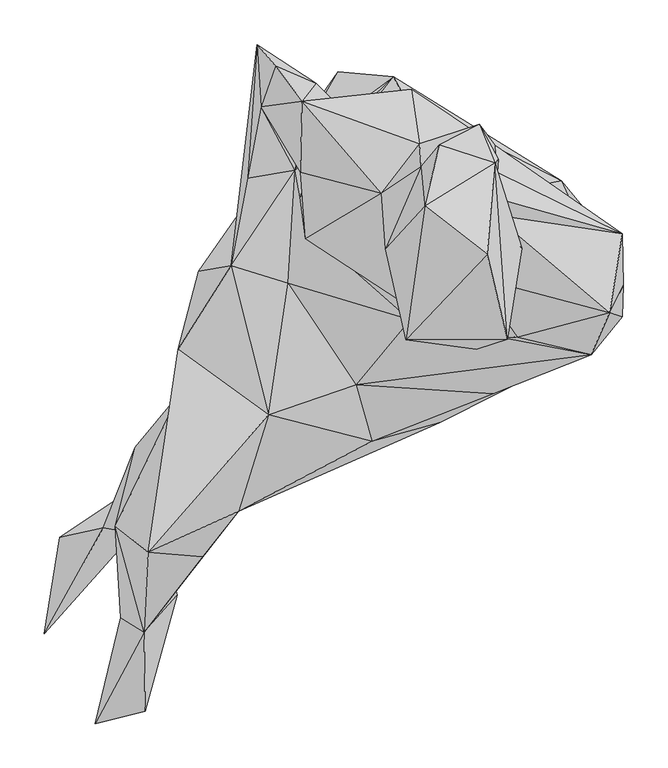
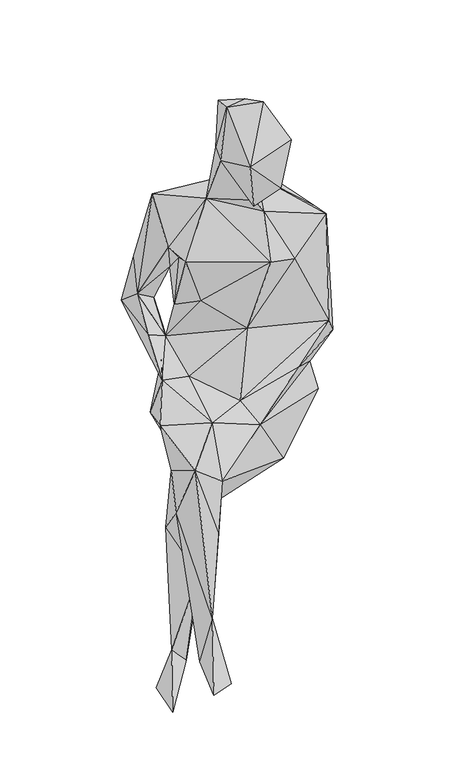
"""IFC4 building model written with IfcOpenShell, lengths in millimetres: geographic element geometry."""

from ifc_helpers import new_model, si_unit, origin, place, context, project, spatial, faceted_brep, source, transform, mapped, element, save


def geographic_element_b53a5d0f(model_context):
    return source(origin(), model_context, "Body", "Brep", [
        faceted_brep([(-222.1914353, 32.9712066, 572.2343255), (-154.843701, 45.0743319, 435.3912121), (-245.5918759, -54.3861606, 593.449466), (48.4060453, -137.0086355, 444.839472), (-142.3269195, -40.9572268, 427.9337771), (-164.2532924, -73.4094968, 467.0022072), (219.8449346, 93.2644222, 509.1412601), (-134.2807396, 142.4343717, 469.8536934), (136.7937757, -17.1656998, 478.2662333), (-244.2606955, -105.2439945, 493.9331351), (-167.9503152, -91.5561233, 426.336164), (-293.6551833, -164.7518257, 379.5438362), (-279.3087031, -282.875743, 611.8980571), (-316.1026498, -253.3576457, 483.3986401), (-283.9103902, -372.6493968, 234.5040561), (-217.9389569, -287.5880265, 411.6716334), (-177.4737962, -236.5325362, 517.7676614), (-143.4625667, -128.067477, 610.9353824), (-310.3416822, -356.2755541, 106.9286527), (-261.6444794, -266.9208911, 289.2866695), (-282.6017404, -461.252028, 95.8623278), (-246.5416461, -331.0851712, 107.4755179), (-338.8476926, -475.2471686, 90.6171042), (-285.1577366, -249.9303042, 37.8479133), (-171.2347397, -168.8119748, 404.4291029), (-329.8431594, -255.1862864, 86.6450433), (-395.8285402, -374.5607985, -1.1936591), (-231.038046, -187.5205315, 204.940853), (-288.0403662, -205.4995273, -0.2245497), (-378.8315309, -265.7110956, -0.4125699), (-27.4552346, -158.1517736, 582.9375314), (185.3480763, -68.0847681, 560.0012472), (-186.1130572, 39.1135583, 650.1585165), (-45.6093842, -94.7170097, 622.0221443), (-121.6028169, 19.5261573, 650.7289925), (-65.7533176, 257.5596241, 519.6478303), (-3.113613, 251.4452009, 671.9828165), (-116.7647824, 168.0341044, 645.0250069), (185.7660241, 134.7470267, 626.0672134), (67.2198749, 181.7123122, 514.526182), (177.6231505, -40.9056539, 626.8354577), (108.7132306, -104.6487676, 672.4147117), (254.4116346, -17.9639792, 677.9307043), (219.1659185, -60.9238923, 745.3944591), (15.1307842, -21.6040478, 768.9603472), (136.1448301, -41.4460781, 942.3224213), (239.9759859, -13.7512542, 1021.938669), (-113.8112605, 146.6223877, 689.9049197), (68.7884978, -42.3904764, 956.8923594), (-70.486053, 54.2335951, 833.5136072), (-156.5681081, 287.7835596, 723.1705099), (-167.5495634, 137.8090812, 717.5481827), (-90.3667647, 244.4970578, 735.0361256), (-136.1222697, 263.9651862, 857.0536865), (-152.4488609, 217.8207758, 783.2090162), (-104.076116, 176.7765113, 699.7108969), (-79.2026659, 186.6362817, 856.5981878), (-105.8864804, 224.2360087, 1057.2521556), (-59.8634549, 214.0592906, 857.1170463), (-107.9611467, 144.3833393, 949.1180064), (-83.1145559, 138.0991621, 914.7801286), (-108.0965237, 115.999809, 798.6578843), (17.0840433, 237.5027061, 904.3123014), (11.9666744, 224.0533652, 757.6308157), (25.9693392, 176.2027868, 1081.6721783), (111.008151, 174.5890208, 936.393905), (164.9924794, 130.8469607, 763.2939721), (254.2740969, 75.3208613, 988.4625551), (113.7693585, 144.0545601, 1033.6519352), (93.5577366, 198.3536904, 1124.1561035), (114.8340911, 158.7050985, 1133.2982638), (86.6418172, 122.4333256, 1156.1378098), (110.7331054, 155.0553571, 1301.894291), (27.7882979, 150.2280664, 1192.3999639), (48.722993, 175.3314563, 1307.5477915), (141.3352621, 58.6859092, 1210.9806388), (109.9606143, 96.672422, 1112.1625763), (56.0697459, 12.4694946, 1110.1856094), (89.9112213, -54.5752526, 1174.5982025), (125.0323042, -43.6174417, 1297.1776564), (89.2429415, 26.2078546, 1057.2982896), (-16.7982539, 120.7056925, 1076.2926207), (255.2109627, 17.3161139, 793.4706709), (-12.0375844, 58.4173121, 1222.2456781), (29.4106431, -29.1248538, 1127.1214346), (10.6505341, -44.3705948, 1256.6298091), (31.9097001, 106.7191424, 1334.4540431), (102.364591, 51.9870215, 1358.8063549), (-102.032608, 69.762989, 950.2643825)], [[[0, 1, 2]], [[3, 4, 1]], [[1, 4, 5]], [[6, 1, 7]], [[6, 8, 1]], [[3, 1, 8]], [[1, 0, 7]], [[2, 1, 9]], [[1, 5, 9]], [[5, 10, 11]], [[5, 4, 10]], [[9, 5, 11]], [[2, 9, 12]], [[12, 9, 13]], [[13, 9, 11]], [[12, 13, 14]], [[12, 15, 16]], [[12, 17, 2]], [[15, 12, 14]], [[16, 17, 12]], [[13, 18, 14]], [[13, 19, 18]], [[19, 13, 11]], [[20, 18, 21]], [[19, 21, 18]], [[14, 18, 22]], [[22, 18, 20]], [[14, 20, 21]], [[14, 21, 19]], [[22, 20, 14]], [[15, 14, 16]], [[14, 19, 16]], [[19, 23, 24]], [[16, 19, 24]], [[23, 19, 25]], [[11, 25, 19]], [[23, 25, 26]], [[24, 23, 27]], [[23, 26, 28]], [[27, 23, 28]], [[25, 28, 29]], [[11, 28, 25]], [[25, 29, 26]], [[11, 27, 28]], [[11, 24, 27]], [[24, 11, 10]], [[26, 29, 28]], [[16, 24, 3]], [[4, 24, 10]], [[3, 24, 4]], [[30, 16, 3]], [[6, 3, 8]], [[31, 3, 6]], [[31, 30, 3]], [[30, 17, 16]], [[32, 2, 17]], [[33, 34, 17]], [[17, 34, 32]], [[17, 30, 33]], [[2, 32, 0]], [[0, 35, 7]], [[32, 35, 0]], [[36, 35, 37]], [[38, 35, 36]], [[38, 39, 35]], [[32, 37, 35]], [[39, 7, 35]], [[6, 7, 39]], [[6, 39, 38]], [[38, 40, 6]], [[40, 31, 6]], [[41, 30, 40]], [[31, 40, 30]], [[42, 41, 40]], [[42, 40, 38]], [[30, 41, 33]], [[41, 43, 33]], [[42, 43, 41]], [[44, 34, 33]], [[43, 44, 33]], [[45, 44, 43]], [[45, 43, 46]], [[42, 46, 43]], [[44, 47, 34]], [[48, 44, 45]], [[49, 47, 44]], [[44, 48, 49]], [[47, 32, 34]], [[32, 50, 37]], [[51, 50, 32]], [[32, 47, 51]], [[52, 37, 50]], [[53, 52, 50]], [[51, 54, 50]], [[54, 53, 50]], [[52, 55, 37]], [[47, 37, 55]], [[47, 36, 37]], [[47, 55, 52]], [[52, 54, 47]], [[52, 56, 54]], [[53, 57, 52]], [[58, 56, 52]], [[57, 58, 52]], [[57, 53, 54]], [[47, 54, 51]], [[57, 54, 59]], [[56, 59, 54]], [[59, 56, 60]], [[60, 56, 61]], [[56, 58, 61]], [[62, 58, 57]], [[61, 58, 63]], [[58, 62, 63]], [[64, 62, 57]], [[62, 64, 65]], [[62, 66, 63]], [[62, 65, 66]], [[63, 36, 61]], [[63, 38, 36]], [[63, 66, 38]], [[67, 42, 66]], [[65, 67, 66]], [[66, 42, 38]], [[68, 67, 65]], [[64, 69, 65]], [[69, 68, 65]], [[70, 68, 69]], [[71, 67, 68]], [[70, 71, 68]], [[71, 70, 69]], [[72, 71, 69]], [[73, 69, 64]], [[74, 69, 73]], [[69, 74, 72]], [[72, 75, 71]], [[76, 67, 71]], [[71, 75, 76]], [[75, 77, 76]], [[78, 77, 75]], [[72, 79, 75]], [[79, 78, 75]], [[77, 80, 76]], [[46, 67, 76]], [[76, 80, 46]], [[48, 80, 81]], [[48, 45, 80]], [[77, 81, 80]], [[80, 45, 46]], [[42, 82, 46]], [[67, 46, 82]], [[82, 42, 67]], [[83, 81, 77]], [[84, 83, 77]], [[78, 84, 77]], [[85, 83, 84]], [[81, 83, 73]], [[83, 86, 73]], [[86, 83, 85]], [[78, 85, 84]], [[79, 85, 78]], [[85, 87, 86]], [[87, 85, 79]], [[86, 74, 73]], [[86, 72, 74]], [[86, 87, 72]], [[81, 73, 64]], [[57, 81, 64]], [[48, 81, 88]], [[81, 57, 59]], [[88, 81, 59]], [[59, 60, 88]], [[88, 60, 61]], [[49, 88, 61]], [[48, 88, 49]], [[61, 36, 47]], [[49, 61, 47]], [[87, 79, 72]]]),
    ])


if __name__ == "__main__":
    model = new_model("IFC4")
    model_context = context("Model", 3, world=origin())
    ifc_project = project(units=[si_unit("LENGTHUNIT", "METRE", prefix="MILLI")], contexts=[model_context])
    site = spatial("IfcSite", under=ifc_project)
    building = spatial("IfcBuilding", under=site)
    placement = place(None, origin())
    geographic_element_shape = geographic_element_b53a5d0f(model_context)
    element("IfcGeographicElement", 1, at=placement, inside=building, context=model_context, shape_type="MappedRepresentation", body=[
        mapped(geographic_element_shape, transform((0.0, 0.0, 0.0), x_axis=(1.0, 0.0, 0.0), y_axis=(0.0, 1.0, 0.0), z_axis=(0.0, 0.0, 1.0))),
    ])
    save(model, "model.ifc")
